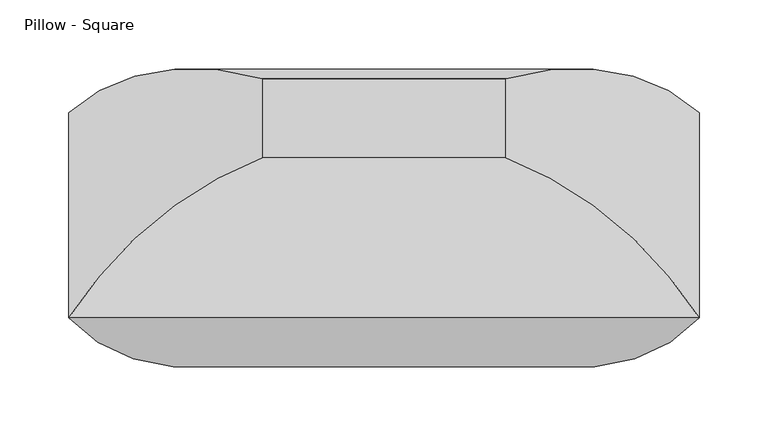
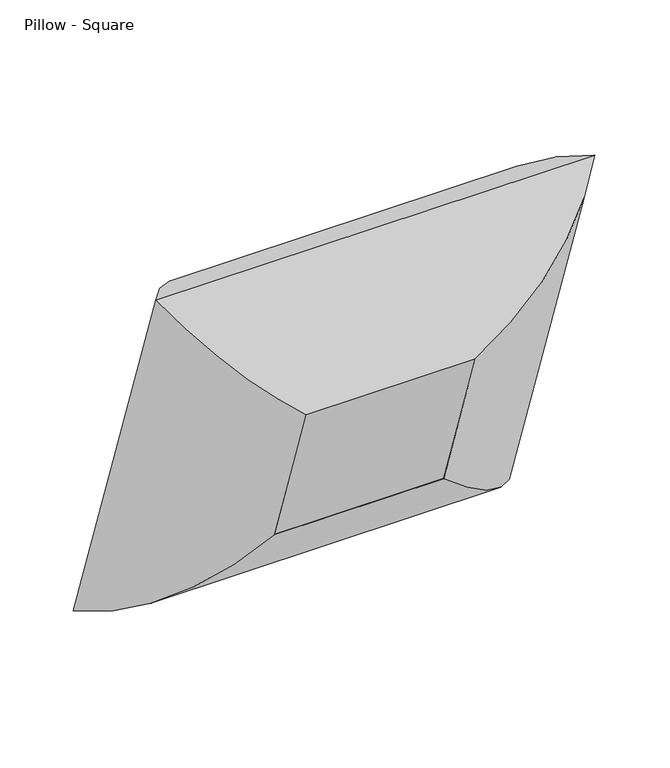
"""IFC4 building model written with IfcOpenShell, lengths in millimetres: furniture geometry, Pillow - Square."""

from ifc_helpers import new_model, si_unit, frame, origin, place, context, project, spatial, polyline, ellipse_curve, outline, extrude, source, transform, mapped, element, save
from ifc_brep_helpers import plane_surface, cylinder_surface, advanced_brep


def pillow_square_176a782c(model_context):
    return source(origin(), model_context, "Body", "SolidModel", [
        advanced_brep(
        [(-88.10625, -176.632238, 273.7911293), (-228.2741804, -148.6376072, 431.6749557), (-228.2741804, 0.0, 0.0), (-88.10625, -119.2630596, 107.1789373), (-88.10625, -32.5352071, 323.4077161), (-88.10625, 24.8339713, 156.7955241), (228.2741804, 0.0, 0.0), (88.10625, -119.2630596, 107.1789373), (88.10625, 24.8339713, 156.7955241), (228.2741804, -148.6376072, 431.6749557), (88.10625, -176.632238, 273.7911293), (88.10625, -32.5352071, 323.4077161)],
        [
            (0, 1, ellipse_curve(frame((-83.326504, -10.8491478, 325.8196669), z_axis=(-0.7071067811865476, 0.23021144975504004, -0.6685825965441237), x_axis=(-0.7071067811865472, -0.23021144975504035, 0.668582596544124)), 245.7274984, 173.7555804)),
            (1, 2),
            (2, 3, ellipse_curve(frame((-83.326504, 43.4077645, 168.2461521), z_axis=(-0.7071067811865471, -0.23021144975504015, 0.6685825965441241), x_axis=(0.7071067811865477, -0.23021144975504024, 0.6685825965441236)), 245.7274984, 173.7555804)),
            (3, 0),
            (4, 0),
            (3, 5),
            (5, 4),
            (1, 4, ellipse_curve(frame((-78.9179464, -205.7447289, 254.0491549), z_axis=(-0.7071067811865476, 0.23021144975504004, -0.6685825965441237), x_axis=(-0.7071067811865472, -0.23021144975504035, 0.668582596544124)), 263.8641638, 186.5801395)),
            (5, 2, ellipse_curve(frame((-78.9179464, -154.3583886, 104.8123863), z_axis=(-0.7071067811865471, -0.23021144975504015, 0.6685825965441241), x_axis=(0.7071067811865477, -0.23021144975504024, 0.6685825965441236)), 263.8641638, 186.5801395)),
            (2, 6),
            (6, 7, ellipse_curve(frame((83.326504, 43.4077645, 168.2461521), z_axis=(-0.7071067811865477, 0.23021144975504043, -0.6685825965441233), x_axis=(-0.7071067811865474, -0.23021144975504035, 0.6685825965441238)), 245.7274984, 173.7555804)),
            (7, 3),
            (7, 8),
            (8, 5),
            (8, 6, ellipse_curve(frame((78.9179464, -154.3583886, 104.8123863), z_axis=(-0.7071067811865477, 0.23021144975504043, -0.6685825965441233), x_axis=(-0.7071067811865474, -0.23021144975504035, 0.6685825965441238)), 263.8641638, 186.5801395)),
            (6, 9),
            (9, 10, ellipse_curve(frame((83.326504, -10.8491478, 325.8196669), z_axis=(0.7071067811865474, 0.23021144975504054, -0.6685825965441238), x_axis=(-0.7071067811865476, 0.23021144975504026, -0.6685825965441237)), 245.7274984, 173.7555804)),
            (10, 7),
            (10, 11),
            (11, 8),
            (11, 9, ellipse_curve(frame((78.9179464, -205.7447289, 254.0491549), z_axis=(0.7071067811865474, 0.23021144975504054, -0.6685825965441238), x_axis=(-0.7071067811865476, 0.23021144975504026, -0.6685825965441237)), 263.8641638, 186.5801395)),
            (9, 1),
            (0, 10),
            (4, 11),
        ],
        [
            cylinder_surface(frame((-83.326504, -12.4052809, 330.3390055), z_axis=(0.0, -0.3255681544571502, 0.9455185755993192), x_axis=(0.0, -0.9455185755993192, -0.3255681544571502)), 173.7555804),
            plane_surface(frame((-88.10625, -176.632238, 273.7911293), z_axis=(1.0, 0.0, 0.0), x_axis=(0.0, 0.3255681544571503, -0.9455185755993191))),
            cylinder_surface(frame((-78.9179464, -208.736148, 262.7368666), z_axis=(0.0, -0.3255681544571502, 0.9455185755993192), x_axis=(0.0, -0.9455185755993192, -0.3255681544571502)), 186.5801395),
            cylinder_surface(frame((-88.10625, 43.4077645, 168.2461521), z_axis=(-1.0, 0.0, 0.0), x_axis=(0.0, -0.945518575599319, -0.3255681544571504)), 173.7555804),
            plane_surface(frame((-88.10625, -119.2630596, 107.1789373), z_axis=(0.0, -0.3255681544571503, 0.9455185755993191), x_axis=(1.0, 0.0, 0.0))),
            cylinder_surface(frame((-88.10625, -154.3583886, 104.8123863), z_axis=(-1.0, 0.0, 0.0), x_axis=(0.0, -0.945518575599319, -0.3255681544571504)), 186.5801395),
            cylinder_surface(frame((83.326504, 44.9638976, 163.7268135), z_axis=(0.0, 0.3255681544571505, -0.945518575599319), x_axis=(0.0, -0.945518575599319, -0.3255681544571505)), 173.7555804),
            plane_surface(frame((88.10625, -119.2630596, 107.1789373), z_axis=(-1.0, 0.0, 0.0), x_axis=(0.0, -0.3255681544571506, 0.945518575599319))),
            cylinder_surface(frame((78.9179464, -151.3669696, 96.1246746), z_axis=(0.0, 0.3255681544571505, -0.945518575599319), x_axis=(0.0, -0.945518575599319, -0.3255681544571505)), 186.5801395),
            cylinder_surface(frame((88.10625, -10.8491478, 325.8196669), z_axis=(1.0, 0.0, 0.0), x_axis=(0.0, -0.945518575599319, -0.32556815445715026)), 173.7555804),
            plane_surface(frame((88.10625, -176.632238, 273.7911293), z_axis=(0.0, 0.3255681544571504, -0.945518575599319), x_axis=(-1.0, 0.0, 0.0))),
            cylinder_surface(frame((88.10625, -205.7447289, 254.0491549), z_axis=(1.0, 0.0, 0.0), x_axis=(0.0, -0.945518575599319, -0.32556815445715026)), 186.5801395),
        ],
        [
            (0, [[1, 2, 3, 4]]),
            (1, [[5, -4, 6, 7]]),
            (2, [[8, -7, 9, -2]]),
            (3, [[-3, 10, 11, 12]]),
            (4, [[-6, -12, 13, 14]]),
            (5, [[-9, -14, 15, -10]]),
            (6, [[-11, 16, 17, 18]]),
            (7, [[-13, -18, 19, 20]]),
            (8, [[-15, -20, 21, -16]]),
            (9, [[-17, 22, -1, 23]]),
            (10, [[-19, -23, -5, 24]]),
            (11, [[-21, -24, -8, -22]]),
        ],
    ),
        extrude(outline(polyline([(0.0, -176.2125), (0.0, 0.0), (152.4, 0.0), (152.4, -176.2125), (0.0, -176.2125)])), frame((-88.10625, -119.2630596, 107.1789373), z_axis=(0.0, -0.32556815445715037, 0.9455185755993191), x_axis=(0.0, 0.9455185755993191, 0.32556815445715037)), (0.0, 0.0, 1.0), 176.2125),
    ])


if __name__ == "__main__":
    model = new_model("IFC4")
    model_context = context("Model", 3, world=origin())
    ifc_project = project(units=[si_unit("LENGTHUNIT", "METRE", prefix="MILLI")], contexts=[model_context])
    site = spatial("IfcSite", under=ifc_project)
    building = spatial("IfcBuilding", under=site)
    placement = place(None, origin())
    pillow_square_shape = pillow_square_176a782c(model_context)
    element("IfcFurniture", 1, ObjectType="Pillow - Square", at=placement, inside=building, context=model_context, shape_type="MappedRepresentation", body=[
        mapped(pillow_square_shape, transform((0.0, 0.0, 0.0), x_axis=(1.0, 0.0, 0.0), y_axis=(0.0, 1.0, 0.0), z_axis=(0.0, 0.0, 1.0))),
    ])
    save(model, "model.ifc")
